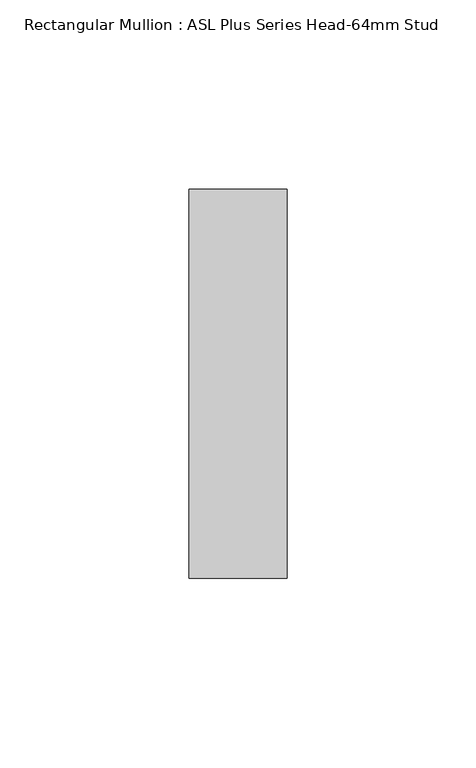
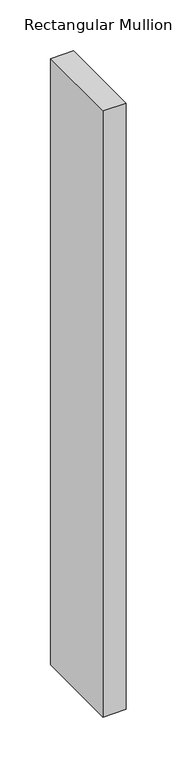
"""IFC4 building model written with IfcOpenShell, lengths in millimetres: member geometry, Rectangular Mullion : ASL Plus Series Head-64mm Stud."""

from ifc_helpers import new_model, si_unit, frame, origin, place, context, project, spatial, polyline, outline, extrude, source, transform, mapped, element, save


def rectangular_mullion_asl_plus_series_head_64mm_stud_941ba14a(model_context):
    return source(origin(), model_context, "Body", "SweptSolid", [
        extrude(outline(polyline([(0.0, 51.5), (0.0, -51.5), (-26.0, -51.5), (-26.0, 51.5), (0.0, 51.5)])), frame((0.0, 0.0, -727.0), z_axis=(0.0, 0.0, 1.0), x_axis=(1.0, 0.0, 0.0)), (0.0, 0.0, 1.0), 727.0),
    ])


if __name__ == "__main__":
    model = new_model("IFC4")
    model_context = context("Model", 3, world=origin())
    ifc_project = project(units=[si_unit("LENGTHUNIT", "METRE", prefix="MILLI")], contexts=[model_context])
    site = spatial("IfcSite", under=ifc_project)
    building = spatial("IfcBuilding", under=site)
    placement = place(None, origin())
    rectangular_mullion_asl_plus_series_head_64mm_stud_shape = rectangular_mullion_asl_plus_series_head_64mm_stud_941ba14a(model_context)
    element("IfcMember", 1, ObjectType="Rectangular Mullion : ASL Plus Series Head-64mm Stud", at=placement, inside=building, context=model_context, shape_type="MappedRepresentation", body=[
        mapped(rectangular_mullion_asl_plus_series_head_64mm_stud_shape, transform((0.0, 0.0, 0.0), x_axis=(1.0, 0.0, 0.0), y_axis=(0.0, 1.0, 0.0), z_axis=(0.0, 0.0, 1.0))),
    ])
    save(model, "model.ifc")
